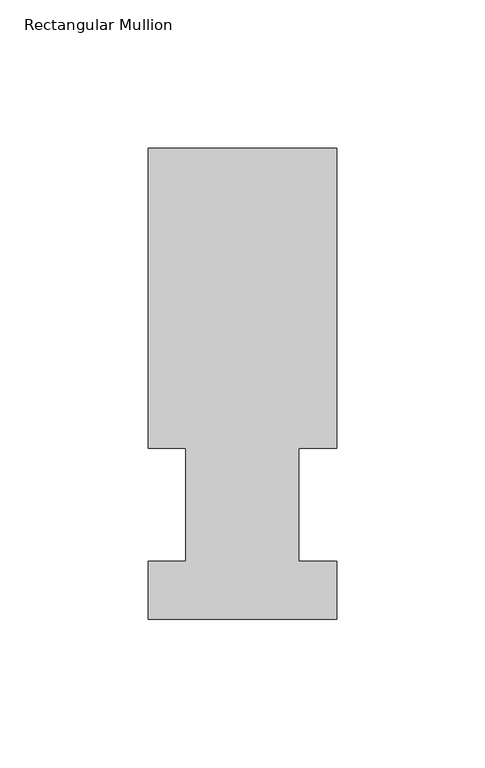
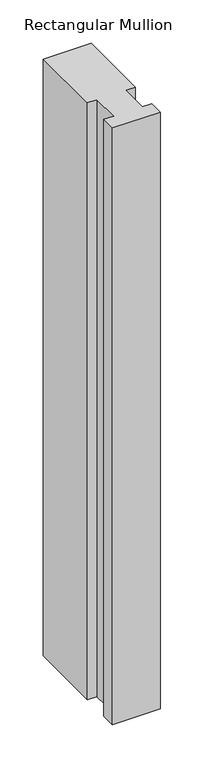
"""IFC4 building model written with IfcOpenShell, lengths in millimetres: member geometry, Rectangular Mullion."""

from ifc_helpers import new_model, si_unit, frame, origin, place, context, project, spatial, polyline, outline, extrude, source, transform, mapped, element, save


def rectangular_mullion_d481bcf4(model_context):
    return source(origin(), model_context, "Body", "SweptSolid", [
        extrude(outline(polyline([(-19.05, 57.6460937), (-31.75, 57.6460937), (-31.75, 158.8396937), (31.75, 158.8396937), (31.75, 57.6460937), (19.05, 57.6460937), (19.05, 19.5460937), (31.75, 19.5460937), (31.75, 0.0134937), (-31.75, 0.0134937), (-31.75, 19.5460937), (-19.05, 19.5460937), (-19.05, 57.6460937)])), frame((0.0, 0.0, -838.2), z_axis=(0.0, 0.0, 1.0), x_axis=(1.0, 0.0, 0.0)), (0.0, 0.0, 1.0), 838.2),
    ])


if __name__ == "__main__":
    model = new_model("IFC4")
    model_context = context("Model", 3, world=origin())
    ifc_project = project(units=[si_unit("LENGTHUNIT", "METRE", prefix="MILLI")], contexts=[model_context])
    site = spatial("IfcSite", under=ifc_project)
    building = spatial("IfcBuilding", under=site)
    placement = place(None, origin())
    rectangular_mullion_shape = rectangular_mullion_d481bcf4(model_context)
    element("IfcMember", 1, ObjectType="Rectangular Mullion", at=placement, inside=building, context=model_context, shape_type="MappedRepresentation", body=[
        mapped(rectangular_mullion_shape, transform((0.0, 0.0, 0.0), x_axis=(1.0, 0.0, 0.0), y_axis=(0.0, 1.0, 0.0), z_axis=(0.0, 0.0, 1.0))),
    ])
    save(model, "model.ifc")
